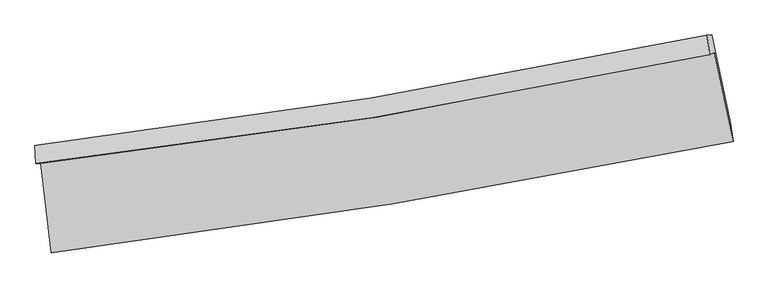
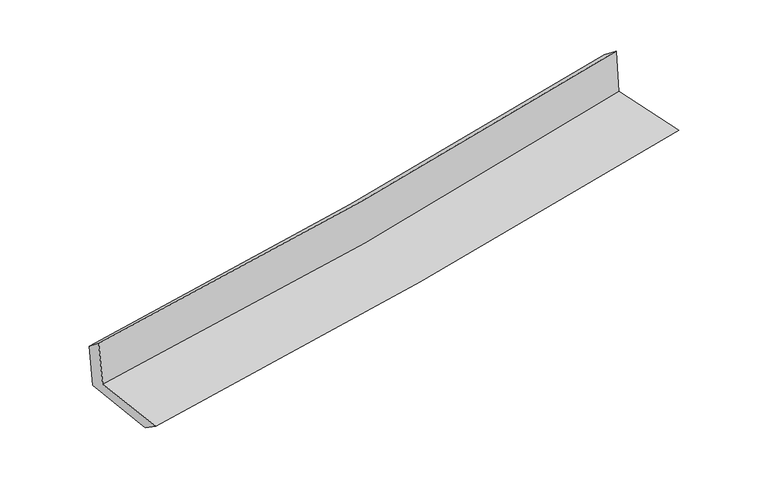
"""IFC4 building model written with IfcOpenShell, lengths in millimetres: proxy geometry."""

from ifc_helpers import new_model, si_unit, frame, origin, place, context, project, spatial, source, transform, mapped, element, save
from ifc_brep_helpers import plane_surface, spline_curve, spline_surface, advanced_brep


def generic_models_2bed95be(model_context):
    return source(origin(), model_context, "Body", "AdvancedBrep", [
        advanced_brep(
        [(-2536.309015, -1891.9729055, 1658.1571417), (-2455.1142772, -2558.2087709, 1643.7535752), (2625.6812322, -1726.6039465, 2112.8081864), (2483.9501821, -1063.5858058, 2121.8057598), (-2572.2045214, -1892.5333101, 2051.3772082), (2450.0712435, -1080.5537713, 2518.6883783), (-2578.5678014, -1756.6021653, 1942.7577871), (2429.3520482, -932.6460751, 2405.3026992), (-2544.5129214, -1756.0704967, 1569.7010018), (2465.3693053, -931.9262271, 2022.334329), (-2463.6453861, -2410.6866607, 1543.6424879), (2605.3479316, -1581.4503879, 2001.532871)],
        [
            (0, 1),
            (1, 2, spline_curve(3, [(-2455.1142772, -2558.2087709, 1643.7535752), (-1606.311055942, -2453.180937673, 1720.517762109), (-759.996249311, -2331.669773266, 1797.847694799), (933.637654964, -2054.702664334, 1954.191183516), (1780.921351778, -1899.012220356, 2033.21278789), (2625.6812322, -1726.6039465, 2112.8081864)], [4, 2, 4], [0.0, 8.40379121996583, 16.867149304743975])),
            (2, 3),
            (3, 0, spline_curve(3, [(2483.9501821, -1063.5858058, 2121.8057598), (1652.060667142, -1247.408395453, 2042.969007117), (816.269813915, -1408.515801224, 1964.779072822), (-857.204642182, -1684.326211096, 1810.238606464), (-1694.833521235, -1799.347838919, 1733.879001061), (-2536.309015, -1891.9729055, 1658.1571417)], [4, 2, 4], [0.0, 8.463358084778145, 16.867149304743975])),
            (4, 0),
            (3, 5),
            (5, 4, spline_curve(3, [(2450.0712435, -1080.5537713, 2518.6883783), (1616.555104124, -1256.217080094, 2440.886462759), (779.784574424, -1411.882281811, 2362.904747822), (-894.352996082, -1682.261616919, 2207.131835884), (-1731.674388196, -1797.256261765, 2129.343160615), (-2572.2045214, -1892.5333101, 2051.3772082)], [4, 2, 4], [0.0, 8.413775643914201, 16.768333394490817])),
            (6, 4),
            (5, 7),
            (7, 6, spline_curve(3, [(2429.3520482, -932.6460751, 2405.3026992), (1598.128673367, -1108.245300718, 2329.622214108), (763.705268571, -1264.883681667, 2253.097466957), (-905.646234376, -1539.269750158, 2098.903987334), (-1740.529446112, -1657.283399625, 2021.247097019), (-2578.5678014, -1756.6021653, 1942.7577871)], [4, 2, 4], [0.0, 8.402595560680263, 16.746051915761296])),
            (8, 6),
            (7, 9),
            (9, 8, spline_curve(3, [(2465.3693053, -931.9262271, 2022.334329), (1634.406289427, -1107.556825353, 1941.798839327), (799.94791568, -1264.226629418, 1863.686971814), (-870.06185559, -1538.675425483, 1712.843192107), (-1705.564224165, -1656.720377773, 1640.077283633), (-2544.5129214, -1756.0704967, 1569.7010018)], [4, 2, 4], [0.0, 8.392964566954836, 16.726857713236413])),
            (10, 8),
            (9, 11),
            (11, 10, spline_curve(3, [(2605.3479316, -1581.4503879, 2001.532871), (1763.022725144, -1753.426131007, 1920.22777046), (917.942541356, -1908.702297334, 1841.291269107), (-771.760541521, -2184.880145565, 1688.694365626), (-1616.344797099, -2306.016069986, 1615.000739088), (-2463.6453861, -2410.6866607, 1543.6424879)], [4, 2, 4], [0.0, 8.442460810103023, 16.825501834735412])),
            (1, 10),
            (11, 2),
        ],
        [
            spline_surface(3, 3, [[(-2536.309015, -1891.9729055, 1658.1571417), (-1694.833521169, -1799.347838863, 1733.879001159), (-857.204642129, -1684.326211218, 1810.238606376), (816.269813861, -1408.5158011, 1964.77907291), (1652.060667131, -1247.408395482, 2042.969007034), (2483.9501821, -1063.5858058, 2121.8057598)], [(-2509.244102387, -2114.051527329, 1653.355952885), (-1665.326032714, -2017.292205192, 1729.425254858), (-824.80184453, -1900.107398618, 1806.108302545), (855.392427594, -1623.911422142, 1961.249776399), (1695.014228632, -1464.609670478, 2039.71693394), (2531.193865451, -1284.591852704, 2118.806568642)], [(-2482.179189813, -2336.130149071, 1648.554764015), (-1635.818544298, -2235.236571434, 1724.971508503), (-792.399046968, -2115.888585996, 1801.977998741), (894.51504129, -1839.307043163, 1957.720479916), (1737.96779018, -1681.810945464, 2036.46486092), (2578.437548849, -1505.597899596, 2115.807377558)], [(-2455.1142772, -2558.2087709, 1643.7535752), (-1606.311055843, -2453.180937763, 1720.517762203), (-759.996249369, -2331.669773395, 1797.84769491), (933.637655023, -2054.702664205, 1954.191183405), (1780.921351682, -1899.01222046, 2033.212787826), (2625.6812322, -1726.6039465, 2112.8081864)]], [4, 4], [4, 2, 4], [0.0, 2.151285864906793], [0.0, 8.40379121996583, 16.867149304743975]),
            spline_surface(3, 3, [[(-2572.2045214, -1892.5333101, 2051.3772082), (-1731.674388089, -1797.256261697, 2129.343160716), (-894.352996116, -1682.261617011, 2207.131835824), (779.784574457, -1411.882281718, 2362.904747882), (1616.555104103, -1256.217080187, 2440.886462808), (2450.0712435, -1080.5537713, 2518.6883783)], [(-2560.239352616, -1892.346508543, 1920.303852688), (-1719.394099132, -1797.953454062, 1997.521774185), (-881.970211469, -1682.949815103, 2074.834092691), (791.94632091, -1410.760121535, 2230.196189575), (1628.390291784, -1253.280851968, 2308.247310885), (2461.364223039, -1074.897782816, 2386.394172134)], [(-2548.274183784, -1892.159707057, 1789.230497212), (-1707.113810126, -1798.650646498, 1865.70038769), (-869.587426776, -1683.638013126, 1942.536349509), (804.108067408, -1409.637961283, 2097.487631218), (1640.225479449, -1250.344623701, 2175.608158958), (2472.657202561, -1069.241794284, 2254.099965966)], [(-2536.309015, -1891.9729055, 1658.1571417), (-1694.833521169, -1799.347838863, 1733.879001159), (-857.204642129, -1684.326211218, 1810.238606376), (816.269813861, -1408.5158011, 1964.77907291), (1652.060667131, -1247.408395482, 2042.969007034), (2483.9501821, -1063.5858058, 2121.8057598)]], [4, 4], [4, 2, 4], [0.0, 1.3097618781430276], [0.0, 8.354557750576616, 16.768333394490817]),
            spline_surface(3, 3, [[(-2578.5678014, -1756.6021653, 1942.7577871), (-1740.529446023, -1657.28339952, 2021.24709714), (-905.64623439, -1539.269750232, 2098.903987284), (763.705268585, -1264.883681593, 2253.097467008), (1598.128673462, -1108.245300853, 2329.622214241), (2429.3520482, -932.6460751, 2405.3026992)], [(-2576.446708056, -1801.9125469, 1978.964260811), (-1737.577760034, -1703.941020245, 2057.279118343), (-901.881821625, -1586.933705808, 2134.979936777), (769.065037216, -1313.88321495, 2289.699893946), (1604.270817015, -1157.569227293, 2366.710297113), (2436.25844664, -981.948640495, 2443.097925583)], [(-2574.325614744, -1847.2229285, 2015.170734489), (-1734.626074078, -1750.598640971, 2093.311139513), (-898.117408881, -1634.597661435, 2171.055886331), (774.424805826, -1362.88274836, 2326.302320945), (1610.41296055, -1206.893153747, 2403.798379936), (2443.16484506, -1031.251205905, 2480.893151917)], [(-2572.2045214, -1892.5333101, 2051.3772082), (-1731.674388089, -1797.256261697, 2129.343160716), (-894.352996116, -1682.261617011, 2207.131835824), (779.784574457, -1411.882281718, 2362.904747882), (1616.555104103, -1256.217080187, 2440.886462808), (2450.0712435, -1080.5537713, 2518.6883783)]], [4, 4], [4, 2, 4], [0.0, 0.5969103696563268], [0.0, 8.343456355081033, 16.746051915761296]),
            spline_surface(3, 3, [[(-2544.5129214, -1756.0704967, 1569.7010018), (-1705.564224131, -1656.720377694, 1640.077283569), (-870.061855543, -1538.675425352, 1712.843192032), (799.947915632, -1264.22662955, 1863.68697189), (1634.406289302, -1107.556825361, 1941.798839198), (2465.3693053, -931.9262271, 2022.334329)], [(-2555.864548089, -1756.247719569, 1694.053263563), (-1717.219298118, -1656.908051638, 1767.133888088), (-881.923315137, -1538.873533636, 1841.530123788), (787.867033305, -1264.445646889, 1993.490470268), (1622.313750691, -1107.786317175, 2071.073297556), (2453.363552935, -932.166176416, 2149.99045241)], [(-2567.216174711, -1756.424942431, 1818.405525337), (-1728.874372037, -1657.095725576, 1894.19049262), (-893.784774796, -1539.071641948, 1970.217055528), (775.786150912, -1264.664664254, 2123.29396863), (1610.221212073, -1108.015809039, 2200.347755883), (2441.357800565, -932.406125784, 2277.64657579)], [(-2578.5678014, -1756.6021653, 1942.7577871), (-1740.529446023, -1657.28339952, 2021.24709714), (-905.64623439, -1539.269750232, 2098.903987284), (763.705268585, -1264.883681593, 2253.097467008), (1598.128673462, -1108.245300853, 2329.622214241), (2429.3520482, -932.6460751, 2405.3026992)]], [4, 4], [4, 2, 4], [0.0, 1.2775842821299896], [0.0, 8.333893146281577, 16.726857713236413]),
            spline_surface(3, 3, [[(-2463.6453861, -2410.6866607, 1543.6424879), (-1616.344797085, -2306.016070097, 1615.000739189), (-771.760541566, -2184.88014545, 1688.69436555), (917.942541401, -1908.70229745, 1841.291269183), (1763.022725106, -1753.426131132, 1920.227770557), (2605.3479316, -1581.4503879, 2001.532871)], [(-2490.601231196, -2192.481272717, 1552.3286592), (-1646.084606096, -2089.584172646, 1623.359587316), (-804.527646222, -1969.478572099, 1696.743974377), (878.61099948, -1693.877074831, 1848.756503418), (1720.150579825, -1538.136362543, 1927.41812677), (2558.688389487, -1364.942334301, 2008.466690333)], [(-2517.557076304, -1974.275884683, 1561.0148305), (-1675.824415119, -1873.152275145, 1631.718435442), (-837.294750886, -1754.076998703, 1704.793583205), (839.279457552, -1479.051852168, 1856.221737655), (1677.278434584, -1322.846593951, 1934.608482985), (2512.028847413, -1148.434280699, 2015.400509667)], [(-2544.5129214, -1756.0704967, 1569.7010018), (-1705.564224131, -1656.720377694, 1640.077283569), (-870.061855543, -1538.675425352, 1712.843192032), (799.947915632, -1264.22662955, 1863.68697189), (1634.406289302, -1107.556825361, 1941.798839198), (2465.3693053, -931.9262271, 2022.334329)]], [4, 4], [4, 2, 4], [0.0, 2.1481574256143094], [0.0, 8.383041024632389, 16.825501834735412]),
            spline_surface(3, 3, [[(-2455.1142772, -2558.2087709, 1643.7535752), (-1606.311055843, -2453.180937763, 1720.517762203), (-759.996249369, -2331.669773395, 1797.84769491), (933.637655023, -2054.702664205, 1954.191183405), (1780.921351682, -1899.01222046, 2033.212787826), (2625.6812322, -1726.6039465, 2112.8081864)], [(-2457.957980156, -2509.034734142, 1610.383212753), (-1609.655636246, -2404.12598185, 1685.345421184), (-763.91768013, -2282.739897395, 1761.463251798), (928.405950454, -2006.035875268, 1916.557878673), (1774.955142838, -1850.483524019, 1995.551115402), (2618.903465348, -1678.219426968, 2075.716414599)], [(-2460.801683144, -2459.860697458, 1577.012850347), (-1613.000216682, -2355.07102601, 1650.173080207), (-767.839110805, -2233.81002145, 1725.078808662), (923.17424597, -1957.369086386, 1878.924573915), (1768.98893395, -1801.954827573, 1957.889442982), (2612.125698452, -1629.834907432, 2038.624642801)], [(-2463.6453861, -2410.6866607, 1543.6424879), (-1616.344797085, -2306.016070097, 1615.000739189), (-771.760541566, -2184.88014545, 1688.69436555), (917.942541401, -1908.70229745, 1841.291269183), (1763.022725106, -1753.426131132, 1920.227770557), (2605.3479316, -1581.4503879, 2001.532871)]], [4, 4], [4, 2, 4], [0.0, 0.6045066539277872], [0.0, 8.441847411559658, 16.94353143380711]),
            plane_surface(frame((2509.9619905, -1219.4610356, 2197.0787039), z_axis=(0.9740141605876872, 0.20696317356116603, 0.09199271582116876), x_axis=(-0.0936342543371409, -0.0018713925316419541, 0.9956049037166904))),
            plane_surface(frame((-2525.0589871, -2044.3457182, 1734.8982003), z_axis=(-0.9888208688267479, -0.11855331699697688, -0.09043450890965127), x_axis=(-0.12094792614399082, 0.9924269527590751, 0.021455595978769282))),
        ],
        [
            (0, [[1, 2, 3, 4]]),
            (1, [[5, -4, 6, 7]]),
            (2, [[8, -7, 9, 10]]),
            (3, [[11, -10, 12, 13]]),
            (4, [[14, -13, 15, 16]]),
            (5, [[17, -16, 18, -2]]),
            (6, [[-12, -9, -6, -3, -18, -15]]),
            (7, [[-1, -5, -8, -11, -14, -17]]),
        ],
    ),
    ])


if __name__ == "__main__":
    model = new_model("IFC4")
    model_context = context("Model", 3, world=origin())
    ifc_project = project(units=[si_unit("LENGTHUNIT", "METRE", prefix="MILLI")], contexts=[model_context])
    site = spatial("IfcSite", under=ifc_project)
    building = spatial("IfcBuilding", under=site)
    placement = place(None, origin())
    generic_models_shape = generic_models_2bed95be(model_context)
    element("IfcBuildingElementProxy", 1, Name="Generic Models", at=placement, inside=building, context=model_context, shape_type="MappedRepresentation", body=[
        mapped(generic_models_shape, transform((0.0, 0.0, 0.0), x_axis=(1.0, 0.0, 0.0), y_axis=(0.0, 1.0, 0.0), z_axis=(0.0, 0.0, 1.0))),
    ])
    save(model, "model.ifc")
